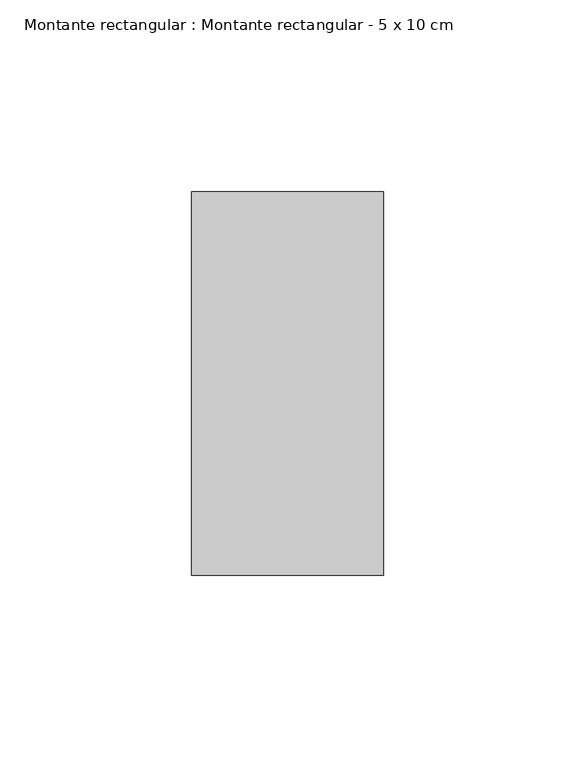
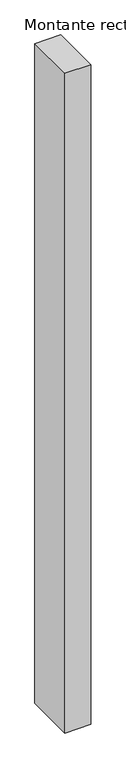
"""IFC4 building model written with IfcOpenShell, lengths in millimetres: member geometry, Montante rectangular : Montante rectangular - 5 x 10 cm."""

from ifc_helpers import new_model, si_unit, frame, origin, place, context, project, spatial, polyline, outline, extrude, source, transform, mapped, element, save


def montante_rectangular_montante_rectangular_5_x_10_cm_c2ab1a62(model_context):
    return source(origin(), model_context, "Body", "SweptSolid", [
        extrude(outline(polyline([(25.0, 50.0), (25.0, -50.0), (-25.0, -50.0), (-25.0, 50.0), (25.0, 50.0)])), frame((0.0, 0.0, -1341.7009613), z_axis=(0.0, 0.0, 1.0), x_axis=(1.0, 0.0, 0.0)), (0.0, 0.0, 1.0), 1341.7009613),
    ])


if __name__ == "__main__":
    model = new_model("IFC4")
    model_context = context("Model", 3, world=origin())
    ifc_project = project(units=[si_unit("LENGTHUNIT", "METRE", prefix="MILLI")], contexts=[model_context])
    site = spatial("IfcSite", under=ifc_project)
    building = spatial("IfcBuilding", under=site)
    placement = place(None, origin())
    montante_rectangular_montante_rectangular_5_x_10_cm_shape = montante_rectangular_montante_rectangular_5_x_10_cm_c2ab1a62(model_context)
    element("IfcMember", 1, ObjectType="Montante rectangular : Montante rectangular - 5 x 10 cm", at=placement, inside=building, context=model_context, shape_type="MappedRepresentation", body=[
        mapped(montante_rectangular_montante_rectangular_5_x_10_cm_shape, transform((0.0, 0.0, 0.0), x_axis=(1.0, 0.0, 0.0), y_axis=(0.0, 1.0, 0.0), z_axis=(0.0, 0.0, 1.0))),
    ])
    save(model, "model.ifc")
